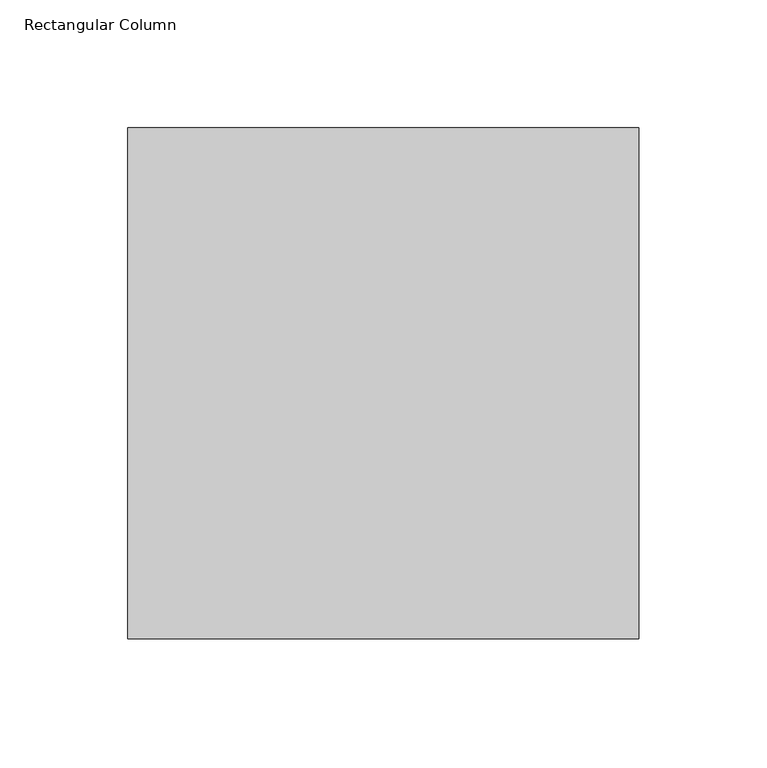
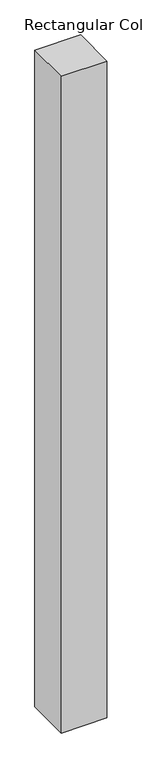
"""IFC4 building model written with IfcOpenShell, lengths in millimetres: column geometry, Rectangular Column."""

import ifcopenshell
import ifcopenshell.guid

model = None  # the IFC model being written
_history = None  # IfcOwnerHistory: only IFC2X3 demands one
_inside = {}  # id of a spatial element -> (the spatial element, [elements in it])
_under = {}  # id of a project, library or spatial element -> (it, [spatial elements below it])
_declared = {}  # id of a project -> (the project, [libraries it declares])
_typed = {}  # id of a type object -> (the type object, [elements of that type])
_made_of = {}  # id of a material, layer set ... -> (it, [elements and type objects made of it])


def new_model(schema):
    """Start an empty IFC model of exactly this schema.

    Asked for "IFC4X3", IfcOpenShell would pick the latest addendum, in which some entities
    have other attributes; the version numbers below select the first issue.
    IFC2X3 requires an IfcOwnerHistory on every rooted entity: one is made here for all.
    """
    global model, _history
    if schema == "IFC4X3":
        model = ifcopenshell.file(schema_version=(4, 3, 0, 0))
    else:
        model = ifcopenshell.file(schema=schema)
    _inside.clear()
    _under.clear()
    _declared.clear()
    _typed.clear()
    _made_of.clear()
    _history = None
    if model.schema == "IFC2X3":
        org = make("IfcOrganization", Name="unknown")
        user = make(
            "IfcPersonAndOrganization",
            ThePerson=make("IfcPerson", FamilyName="unknown"),
            TheOrganization=org,
        )
        app = make(
            "IfcApplication",
            ApplicationDeveloper=org,
            Version="unknown",
            ApplicationFullName="unknown",
            ApplicationIdentifier="unknown",
        )
        _history = make(
            "IfcOwnerHistory",
            OwningUser=user,
            OwningApplication=app,
            ChangeAction="ADDED",
            CreationDate=0,
        )
    return model


def make(cls, **values):
    """One entity of the class cls with the attributes given. An attribute that is None is left unset."""
    return model.create_entity(
        cls, **{name: value for name, value in values.items() if value is not None}
    )


def rooted(cls, **values):
    """An entity with a GlobalId (a new one), such as an element, a storey or a relation."""
    return make(cls, GlobalId=ifcopenshell.guid.new(), OwnerHistory=_history, **values)


def si_unit(unit_type, name, prefix=None):
    """IfcSIUnit, for example si_unit("LENGTHUNIT", "METRE", prefix="MILLI")."""
    return make("IfcSIUnit", UnitType=unit_type, Prefix=prefix, Name=name)


def assignment(units):
    """IfcUnitAssignment: the units of a project."""
    return None if units is None else make("IfcUnitAssignment", Units=units)


def point(xyz):
    """IfcCartesianPoint."""
    return None if xyz is None else make("IfcCartesianPoint", Coordinates=xyz)


def direction(xyz):
    """IfcDirection."""
    return None if xyz is None else make("IfcDirection", DirectionRatios=xyz)


def frame(location, z_axis=None, x_axis=None):
    """IfcAxis2Placement3D, a coordinate frame: its origin and axes. An axis left out is left unset."""
    return make(
        "IfcAxis2Placement3D",
        Location=point(location),
        Axis=direction(z_axis),
        RefDirection=direction(x_axis),
    )


def origin():
    """The frame at (0, 0, 0) with its axes left unset."""
    return frame((0.0, 0.0, 0.0))


def origin_with_axes():
    """The frame at (0, 0, 0) with the z axis (0, 0, 1) and the x axis (1, 0, 0) written out."""
    return frame((0.0, 0.0, 0.0), z_axis=(0.0, 0.0, 1.0), x_axis=(1.0, 0.0, 0.0))


def place(relative_to, where):
    """IfcLocalPlacement: puts the frame where relative to a parent placement (None: the world)."""
    return make(
        "IfcLocalPlacement", PlacementRelTo=relative_to, RelativePlacement=where
    )


def context(
    kind, dimensions, precision=None, world=None, true_north=None, identifier=None
):
    """IfcGeometricRepresentationContext, for example the 3D "Model" context."""
    return make(
        "IfcGeometricRepresentationContext",
        ContextIdentifier=identifier,
        ContextType=kind,
        CoordinateSpaceDimension=dimensions,
        Precision=precision,
        WorldCoordinateSystem=world,
        TrueNorth=true_north,
    )


def project(units=None, contexts=None):
    """IfcProject with its units and contexts."""
    return rooted(
        "IfcProject",
        Name="project",
        RepresentationContexts=contexts,
        UnitsInContext=assignment(units),
    )


def spatial(cls, under=None, at=None, **own):
    """A site, building, storey or space (cls), placed at a placement, below another one or the project."""
    s = rooted(cls, ObjectPlacement=at, **own)
    if under is not None:
        _under.setdefault(under.id(), (under, []))[1].append(s)
    return s


def polyline(points):
    """IfcPolyline through the points."""
    return make("IfcPolyline", Points=[point(p) for p in points])


def outline(outer, holes=None, kind="AREA"):
    """IfcArbitraryClosedProfileDef: a profile drawn as a closed curve; with holes, ...WithVoids."""
    if holes is None:
        return make("IfcArbitraryClosedProfileDef", ProfileType=kind, OuterCurve=outer)
    return make(
        "IfcArbitraryProfileDefWithVoids",
        ProfileType=kind,
        OuterCurve=outer,
        InnerCurves=holes,
    )


def extrude(swept, where, along, depth):
    """IfcExtrudedAreaSolid: the profile swept, set in the frame where, extruded along a direction by depth."""
    return make(
        "IfcExtrudedAreaSolid",
        SweptArea=swept,
        Position=where,
        ExtrudedDirection=direction(along),
        Depth=depth,
    )


def shape(context_of_items, identifier, shape_type, items):
    """IfcShapeRepresentation: the items that make up one representation, for example the "Body"."""
    return make(
        "IfcShapeRepresentation",
        ContextOfItems=context_of_items,
        RepresentationIdentifier=identifier,
        RepresentationType=shape_type,
        Items=items,
    )


def source(mapping_origin, context_of_items, identifier, shape_type, items):
    """IfcRepresentationMap: a shape defined once, which mapped items show again and again."""
    return make(
        "IfcRepresentationMap",
        MappingOrigin=mapping_origin,
        MappedRepresentation=shape(context_of_items, identifier, shape_type, items),
    )


def transform(
    local_origin,
    x_axis=None,
    y_axis=None,
    z_axis=None,
    scale=None,
    scale2=None,
    scale3=None,
    uniform=True,
):
    """IfcCartesianTransformationOperator3D, or its non-uniform kind. x_axis, y_axis, z_axis: its Axis1, 2, 3."""
    if uniform:
        return make(
            "IfcCartesianTransformationOperator3D",
            Axis1=direction(x_axis),
            Axis2=direction(y_axis),
            LocalOrigin=point(local_origin),
            Scale=scale,
            Axis3=direction(z_axis),
        )
    return make(
        "IfcCartesianTransformationOperator3DnonUniform",
        Axis1=direction(x_axis),
        Axis2=direction(y_axis),
        LocalOrigin=point(local_origin),
        Scale=scale,
        Axis3=direction(z_axis),
        Scale2=scale2,
        Scale3=scale3,
    )


def mapped(mapping_source, mapping_target):
    """IfcMappedItem: shows the shape of a source again, moved by a transform."""
    return make(
        "IfcMappedItem", MappingSource=mapping_source, MappingTarget=mapping_target
    )


def made_of(thing, what):
    """Note that an element or type object is made of a material, layer set ...; save() writes the relation."""
    if what is not None:
        _made_of.setdefault(what.id(), (what, []))[1].append(thing)
    return thing


def element(
    cls,
    number,
    at=None,
    inside=None,
    cuts=None,
    type_object=None,
    material=None,
    context=None,
    identifier="Body",
    shape_type=None,
    held_by="IfcProductDefinitionShape",
    body=None,
    shapes=None,
    **own,
):
    """One element of the class cls, such as IfcWall. Its Tag is "e" and its number.

    at: its placement. inside: the storey or other place that contains it. cuts: it is an
    opening in that element (IfcRelVoidsElement). A single representation is given by context,
    identifier, shape_type and body (its items); several are given by shapes. held_by: the class
    of the entity that holds the representations. save() writes the other relations.
    """
    e = rooted(cls, Tag="e%d" % number, ObjectPlacement=at, **own)
    if body is not None:
        shapes = [shape(context, identifier, shape_type, body)]
    if shapes is not None:
        e.Representation = make(held_by, Representations=shapes)
    if inside is not None:
        _inside.setdefault(inside.id(), (inside, []))[1].append(e)
    if cuts is not None:
        rooted(
            "IfcRelVoidsElement", RelatingBuildingElement=cuts, RelatedOpeningElement=e
        )
    if type_object is not None:
        _typed.setdefault(type_object.id(), (type_object, []))[1].append(e)
    return made_of(e, material)


def aggregate(whole, parts):
    """IfcRelAggregates: a whole, such as a stair, and the parts it consists of."""
    return rooted("IfcRelAggregates", RelatingObject=whole, RelatedObjects=parts)


def save(model, path):
    """Write the relations noted so far, then the file.

    IfcRelAggregates (storeys below a building ...), IfcRelContainedInSpatialStructure (elements
    in a storey), IfcRelDefinesByType, IfcRelAssociatesMaterial and IfcRelDeclares: one each for
    every whole, place, type object, material and project.
    """
    for whole, parts in _under.values():
        aggregate(whole, parts)
    for where, things in _inside.values():
        rooted(
            "IfcRelContainedInSpatialStructure",
            RelatedElements=things,
            RelatingStructure=where,
        )
    for kind, things in _typed.values():
        rooted("IfcRelDefinesByType", RelatedObjects=things, RelatingType=kind)
    for what, things in _made_of.values():
        rooted("IfcRelAssociatesMaterial", RelatedObjects=things, RelatingMaterial=what)
    for by, libraries in _declared.values():
        rooted("IfcRelDeclares", RelatingContext=by, RelatedDefinitions=libraries)
    model.write(path)


def rectangular_column_cf368a16(model_context):
    return source(origin(), model_context, "Body", "SweptSolid", [
        extrude(outline(polyline([(100.0, 100.0), (100.0, -100.0), (-100.0, -100.0), (-100.0, 100.0), (100.0, 100.0)])), origin_with_axes(), (0.0, 0.0, 1.0), 3040.0),
    ])


if __name__ == "__main__":
    model = new_model("IFC4")
    model_context = context("Model", 3, world=origin())
    ifc_project = project(units=[si_unit("LENGTHUNIT", "METRE", prefix="MILLI")], contexts=[model_context])
    site = spatial("IfcSite", under=ifc_project)
    building = spatial("IfcBuilding", under=site)
    placement = place(None, origin())
    rectangular_column_shape = rectangular_column_cf368a16(model_context)
    element("IfcColumn", 1, ObjectType="Rectangular Column", at=placement, inside=building, context=model_context, shape_type="MappedRepresentation", body=[
        mapped(rectangular_column_shape, transform((0.0, 0.0, 0.0), x_axis=(1.0, 0.0, 0.0), y_axis=(0.0, 1.0, 0.0), z_axis=(0.0, 0.0, 1.0))),
    ])
    save(model, "model.ifc")
